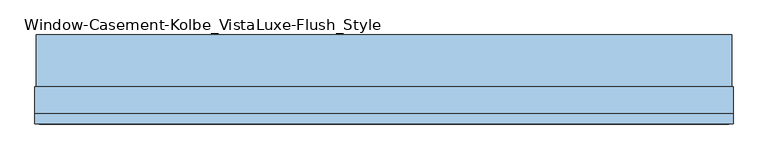
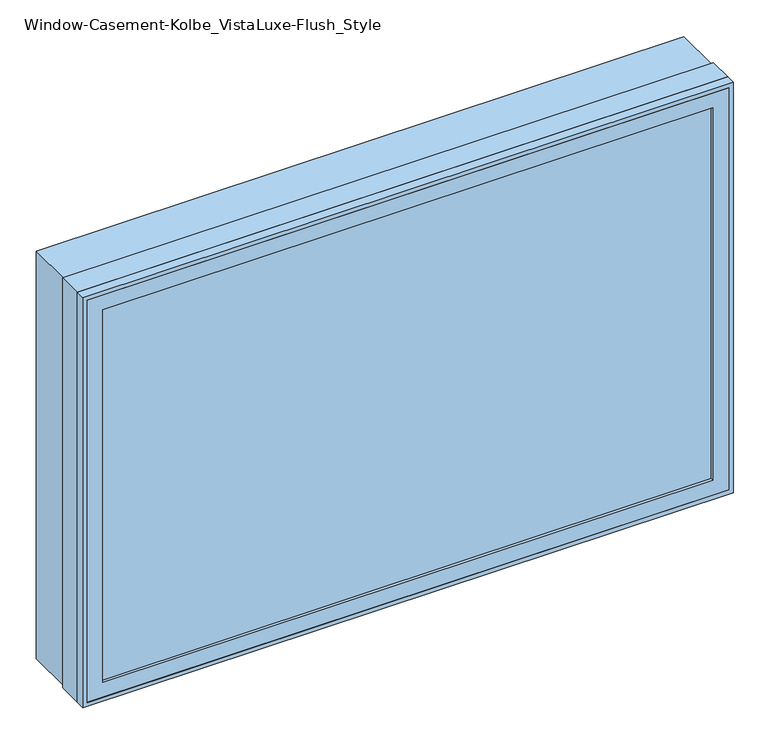
"""IFC4 building model written with IfcOpenShell, lengths in millimetres: window geometry, Window-Casement-Kolbe_VistaLuxe-Flush_Style."""

from ifc_helpers import new_model, si_unit, frame, origin, place, context, project, spatial, polyline, outline, extrude, faceted_brep, source, transform, mapped, element, save


def window_casement_kolbe_vistaluxe_flush_style_dc2a09da(model_context):
    return source(origin(), model_context, "Body", "SolidModel", [
        faceted_brep([(-863.6696599, -121.37898, 970.676875), (-863.6696599, -129.31648, 970.676875), (852.5765901, -129.31648, 970.676875), (852.5765901, -121.37898, 970.676875), (-879.5446599, -99.12858, 954.801875), (-879.5446599, -121.37898, 954.801875), (868.4515901, -121.37898, 954.801875), (868.4515901, -99.12858, 954.801875), (-863.6696599, -80.10398, 970.676875), (-863.6696599, -99.12858, 970.676875), (852.5765901, -99.12858, 970.676875), (852.5765901, -80.10398, 970.676875), (-908.1196599, -129.31648, 926.226875), (-908.1196599, -80.10398, 926.226875), (897.0265901, -80.10398, 926.226875), (897.0265901, -129.31648, 926.226875), (852.5765901, -129.31648, 2077.323125), (852.5765901, -121.37898, 2077.323125), (868.4515901, -121.37898, 2093.198125), (868.4515901, -99.12858, 2093.198125), (852.5765901, -99.12858, 2077.323125), (852.5765901, -80.10398, 2077.323125), (897.0265901, -80.10398, 2121.773125), (897.0265901, -129.31648, 2121.773125), (-863.6696599, -129.31648, 2077.323125), (-863.6696599, -121.37898, 2077.323125), (-879.5446599, -121.37898, 2093.198125), (-879.5446599, -99.12858, 2093.198125), (-863.6696599, -99.12858, 2077.323125), (-863.6696599, -80.10398, 2077.323125), (-908.1196599, -80.10398, 2121.773125), (-908.1196599, -129.31648, 2121.773125)], [[[0, 1, 2, 3]], [[4, 5, 6, 7]], [[8, 9, 10, 11]], [[12, 13, 14, 15]], [[3, 2, 16, 17]], [[7, 6, 18, 19]], [[11, 10, 20, 21]], [[15, 14, 22, 23]], [[17, 16, 24, 25]], [[19, 18, 26, 27]], [[21, 20, 28, 29]], [[23, 22, 30, 31]], [[25, 24, 1, 0]], [[5, 26, 18, 6], [3, 17, 25, 0]], [[27, 26, 5, 4]], [[7, 19, 27, 4], [9, 28, 20, 10]], [[29, 28, 9, 8]], [[13, 30, 22, 14], [11, 21, 29, 8]], [[31, 30, 13, 12]], [[15, 23, 31, 12], [1, 24, 16, 2]]]),
        extrude(outline(polyline([(2130.0186, 905.2720651), (2130.0186, -916.3651349), (917.9814, -916.3651349), (917.9814, 905.2720651), (2130.0186, 905.2720651)]), holes=[polyline([(936.545625, 886.7078401), (936.545625, -897.8009099), (2111.454375, -897.8009099), (2111.454375, 886.7078401), (936.545625, 886.7078401)])]), frame((0.0, -32.5247, 0.0), z_axis=(0.0, 1.0, 0.0), x_axis=(0.0, 0.0, 1.0)), (0.0, 0.0, 1.0), 135.7122),
        extrude(outline(polyline([(2133.6, -919.9465349), (914.4, -919.9465349), (914.4, 908.8534651), (2133.6, 908.8534651), (2133.6, -919.9465349)]), holes=[polyline([(2121.773125, 897.0265901), (926.226875, 897.0265901), (926.226875, -908.1196599), (2121.773125, -908.1196599), (2121.773125, 897.0265901)])]), frame((0.0, -130.1115, 0.0), z_axis=(0.0, 1.0, 0.0), x_axis=(0.0, 0.0, 1.0)), (0.0, 0.0, 1.0), 26.924),
        faceted_brep([(908.8534651, -32.5247, 914.4), (908.8534651, -103.1875, 914.4), (-919.9465349, -103.1875, 914.4), (-919.9465349, -32.5247, 914.4), (886.7078401, -80.10525, 936.545625), (886.7078401, -32.5247, 936.545625), (-897.8009099, -32.5247, 936.545625), (-897.8009099, -80.10525, 936.545625), (897.0265901, -103.1875, 926.226875), (897.0265901, -80.10525, 926.226875), (-908.1196599, -80.10525, 926.226875), (-908.1196599, -103.1875, 926.226875), (-919.9465349, -103.1875, 2133.6), (-919.9465349, -32.5247, 2133.6), (-897.8009099, -32.5247, 2111.454375), (-897.8009099, -80.10525, 2111.454375), (-908.1196599, -80.10525, 2121.773125), (-908.1196599, -103.1875, 2121.773125), (908.8534651, -103.1875, 2133.6), (908.8534651, -32.5247, 2133.6), (886.7078401, -32.5247, 2111.454375), (886.7078401, -80.10525, 2111.454375), (897.0265901, -80.10525, 2121.773125), (897.0265901, -103.1875, 2121.773125)], [[[0, 1, 2, 3]], [[4, 5, 6, 7]], [[8, 9, 10, 11]], [[3, 2, 12, 13]], [[7, 6, 14, 15]], [[11, 10, 16, 17]], [[13, 12, 18, 19]], [[15, 14, 20, 21]], [[17, 16, 22, 23]], [[19, 18, 1, 0]], [[3, 13, 19, 0], [5, 20, 14, 6]], [[21, 20, 5, 4]], [[9, 22, 16, 10], [7, 15, 21, 4]], [[23, 22, 9, 8]], [[1, 18, 12, 2], [11, 17, 23, 8]]]),
        extrude(outline(polyline([(865.2765901, -102.30358), (-876.3696599, -102.30358), (-876.3696599, -99.12858), (865.2765901, -99.12858), (865.2765901, -102.30358)])), frame((0.0, 0.0, 957.976875), z_axis=(0.0, 0.0, 1.0), x_axis=(1.0, 0.0, 0.0)), (0.0, 0.0, 1.0), 1132.04625),
        extrude(outline(polyline([(865.2765901, -118.20398), (865.2765901, -121.37898), (-876.3696599, -121.37898), (-876.3696599, -118.20398), (865.2765901, -118.20398)])), frame((0.0, 0.0, 957.976875), z_axis=(0.0, 0.0, 1.0), x_axis=(1.0, 0.0, 0.0)), (0.0, 0.0, 1.0), 1132.04625),
        extrude(outline(polyline([(936.545625, 886.7078401), (2111.454375, 886.7078401), (2111.454375, -897.8009099), (936.545625, -897.8009099), (936.545625, 886.7078401)]), holes=[polyline([(954.801875, -879.5446599), (2093.198125, -879.5446599), (2093.198125, 868.4515901), (954.801875, 868.4515901), (954.801875, -879.5446599)])]), frame((0.0, -80.10525, 0.0), z_axis=(0.0, 1.0, 0.0), x_axis=(0.0, 0.0, 1.0)), (0.0, 0.0, 1.0), 50.8),
    ])


if __name__ == "__main__":
    model = new_model("IFC4")
    model_context = context("Model", 3, world=origin())
    ifc_project = project(units=[si_unit("LENGTHUNIT", "METRE", prefix="MILLI")], contexts=[model_context])
    site = spatial("IfcSite", under=ifc_project)
    building = spatial("IfcBuilding", under=site)
    placement = place(None, origin())
    window_casement_kolbe_vistaluxe_flush_style_shape = window_casement_kolbe_vistaluxe_flush_style_dc2a09da(model_context)
    element("IfcWindow", 1, ObjectType="Window-Casement-Kolbe_VistaLuxe-Flush_Style", at=placement, inside=building, context=model_context, shape_type="MappedRepresentation", body=[
        mapped(window_casement_kolbe_vistaluxe_flush_style_shape, transform((0.0, 0.0, 0.0), x_axis=(1.0, 0.0, 0.0), y_axis=(0.0, 1.0, 0.0), z_axis=(0.0, 0.0, 1.0))),
    ])
    save(model, "model.ifc")
